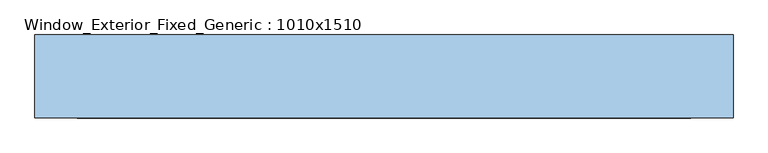
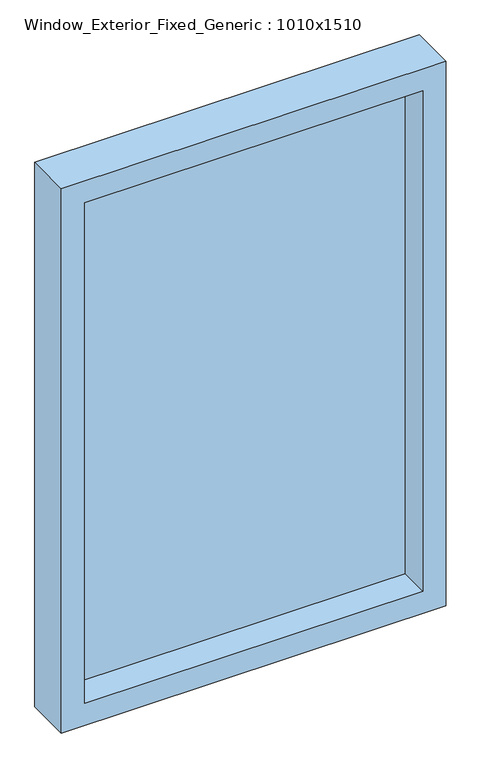
"""IFC4 building model written with IfcOpenShell, lengths in millimetres: window geometry, Window_Exterior_Fixed_Generic : 1010x1510."""

from ifc_helpers import new_model, si_unit, frame, origin, place, context, project, spatial, polyline, outline, extrude, source, transform, mapped, element, save


def window_exterior_fixed_generic_1010x1510_81608be7(model_context):
    return source(origin(), model_context, "Body", "SweptSolid", [
        extrude(outline(polyline([(2310.0, 505.0), (2310.0, -505.0), (800.0, -505.0), (800.0, 505.0), (2310.0, 505.0)]), holes=[polyline([(861.0, 444.0), (861.0, -444.0), (2249.0, -444.0), (2249.0, 444.0), (861.0, 444.0)])]), frame((0.0, -20.0, 0.0), z_axis=(0.0, 1.0, 0.0), x_axis=(0.0, 0.0, 1.0)), (0.0, 0.0, 1.0), 120.0),
        extrude(outline(polyline([(444.0, 80.0), (444.0, 60.0), (-444.0, 60.0), (-444.0, 80.0), (444.0, 80.0)])), frame((0.0, 0.0, 861.0), z_axis=(0.0, 0.0, 1.0), x_axis=(1.0, 0.0, 0.0)), (0.0, 0.0, 1.0), 1388.0),
    ])


if __name__ == "__main__":
    model = new_model("IFC4")
    model_context = context("Model", 3, world=origin())
    ifc_project = project(units=[si_unit("LENGTHUNIT", "METRE", prefix="MILLI")], contexts=[model_context])
    site = spatial("IfcSite", under=ifc_project)
    building = spatial("IfcBuilding", under=site)
    placement = place(None, origin())
    window_exterior_fixed_generic_1010x1510_shape = window_exterior_fixed_generic_1010x1510_81608be7(model_context)
    element("IfcWindow", 1, ObjectType="Window_Exterior_Fixed_Generic : 1010x1510", at=placement, inside=building, context=model_context, shape_type="MappedRepresentation", body=[
        mapped(window_exterior_fixed_generic_1010x1510_shape, transform((0.0, 0.0, 0.0), x_axis=(1.0, 0.0, 0.0), y_axis=(0.0, 1.0, 0.0), z_axis=(0.0, 0.0, 1.0))),
    ])
    save(model, "model.ifc")
